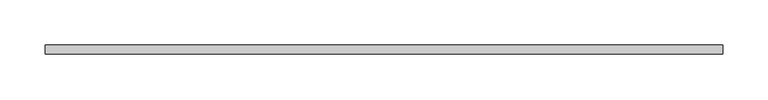
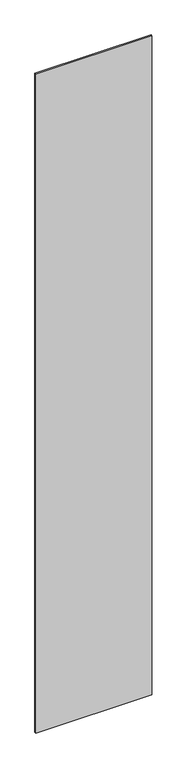
"""IFC4 building model written with IfcOpenShell, lengths in millimetres: plate geometry."""

from ifc_helpers import new_model, si_unit, origin, origin_with_axes, place, context, project, spatial, polyline, outline, extrude, source, transform, mapped, element, save


def plate_252f55f1(model_context):
    return source(origin(), model_context, "Body", "SweptSolid", [
        extrude(outline(polyline([(375.0, -5.0), (-375.0, -5.0), (-375.0, 5.0), (375.0, 5.0), (375.0, -5.0)])), origin_with_axes(), (0.0, 0.0, 1.0), 4500.0),
    ])


if __name__ == "__main__":
    model = new_model("IFC4")
    model_context = context("Model", 3, world=origin())
    ifc_project = project(units=[si_unit("LENGTHUNIT", "METRE", prefix="MILLI")], contexts=[model_context])
    site = spatial("IfcSite", under=ifc_project)
    building = spatial("IfcBuilding", under=site)
    placement = place(None, origin())
    plate_shape = plate_252f55f1(model_context)
    element("IfcPlate", 1, at=placement, inside=building, context=model_context, shape_type="MappedRepresentation", body=[
        mapped(plate_shape, transform((0.0, 0.0, 0.0), x_axis=(1.0, 0.0, 0.0), y_axis=(0.0, 1.0, 0.0), z_axis=(0.0, 0.0, 1.0))),
    ])
    save(model, "model.ifc")
